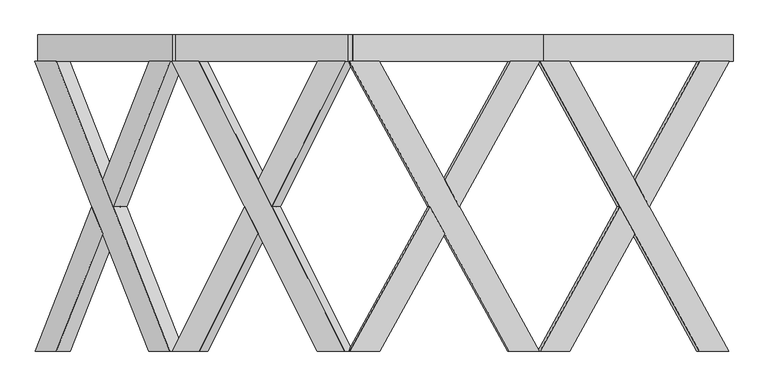
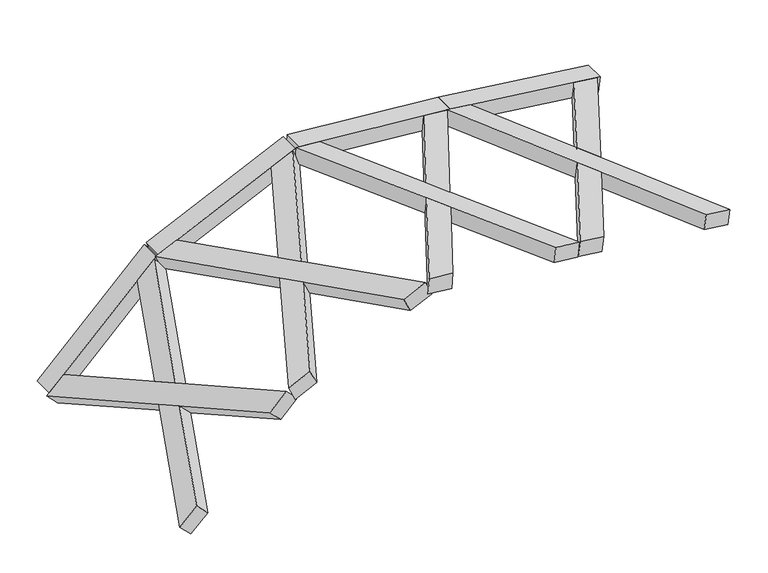
"""IFC4 building model written with IfcOpenShell, lengths in millimetres: proxy geometry."""

from ifc_helpers import new_model, si_unit, frame, origin, place, context, project, spatial, polyline, outline, extrude, faceted_brep, source, transform, mapped, element, save


def generic_models_94af2121(model_context):
    return source(origin(), model_context, "Body", "SolidModel", [
        faceted_brep([(5222.1177358, -100.0, 1273.2053109), (4000.8980741, -2319.6837757, 1423.1522308), (3773.9317381, -2319.6837757, 1451.0201927), (4995.1513998, -100.0, 1301.0732728), (3792.2121396, -2319.6837757, 1599.9021155), (4019.1784756, -2319.6837757, 1572.0341536), (4513.9520357, -1420.3854116, 1511.2835993), (4400.4688677, -1214.1188776, 1525.2175802), (5240.3981374, -100.0, 1422.0872336), (5013.4318013, -100.0, 1449.9551956), (4513.9520357, -1007.8523437, 1511.2835993), (4627.4352037, -1214.1188776, 1497.3496183), (4391.328667, -1214.1188776, 1450.7766188), (4504.811835, -1007.8523437, 1436.8426379), (4618.295003, -1214.1188776, 1422.9086569), (4504.811835, -1420.3854116, 1436.8426379)], [[[0, 1, 2, 3]], [[4, 5, 6, 7]], [[8, 9, 10, 11]], [[0, 3, 9, 8]], [[3, 2, 4, 7, 12, 13, 10, 9]], [[2, 1, 5, 4]], [[1, 0, 8, 11, 14, 15, 6, 5]], [[12, 15, 14, 13]], [[13, 14, 11, 10]], [[15, 12, 7, 6]]]),
        faceted_brep([(3769.2255326, -100.0, 1451.5980421), (3996.1918686, -100.0, 1423.7300802), (4495.6716342, -1007.8523437, 1362.4016765), (4382.1884662, -1214.1188776, 1376.3356575), (5217.4115303, -2319.6837757, 1273.7831603), (4990.4451943, -2319.6837757, 1301.6511222), (4495.6716342, -1420.3854116, 1362.4016765), (4609.1548022, -1214.1188776, 1348.4676956), (3787.5059341, -100.0, 1600.4799649), (5008.7255958, -2319.6837757, 1450.5330449), (5235.6919319, -2319.6837757, 1422.665083), (4014.4722701, -100.0, 1572.612003), (4618.295003, -1214.1188776, 1422.9086569), (4504.811835, -1007.8523437, 1436.8426379), (4391.328667, -1214.1188776, 1450.7766188), (4504.811835, -1420.3854116, 1436.8426379)], [[[0, 1, 2, 3]], [[4, 5, 6, 7]], [[8, 9, 10, 11]], [[1, 0, 8, 11]], [[11, 10, 4, 7, 12, 13, 2, 1]], [[5, 4, 10, 9]], [[9, 8, 0, 3, 14, 15, 6, 5]], [[12, 15, 14, 13]], [[13, 14, 3, 2]], [[15, 12, 7, 6]]]),
        extrude(outline(polyline([(0.0, -200.0), (0.0, 0.0), (1460.0, 0.0), (1460.0, -200.0), (0.0, -200.0)])), frame((5250.0067095, -100.0, 1269.7809755), z_axis=(0.12186934340515057, 0.0, 0.9925461516413217), x_axis=(-0.9925461516413217, 0.0, 0.12186934340515057)), (0.0, 0.0, 1.0), 150.0),
        faceted_brep([(3775.5013561, -100.0, 1449.8855141), (2549.7925564, -2319.6837757, 1557.1211389), (2321.9919043, -2319.6837757, 1577.0511135), (3547.700704, -100.0, 1469.8154887), (2335.0652657, -2319.6837757, 1726.4803182), (2562.8659178, -2319.6837757, 1706.5503436), (3059.458239, -1420.3854116, 1663.1041451), (2945.5579129, -1214.1188776, 1673.0691324), (3788.5747175, -100.0, 1599.3147188), (3560.7740654, -100.0, 1619.2446934), (3059.458239, -1007.8523437, 1663.1041451), (3173.358565, -1214.1188776, 1653.1391578), (2939.0212322, -1214.1188776, 1598.3545301), (3052.9215583, -1007.8523437, 1588.3895428), (3166.8218843, -1214.1188776, 1578.4245554), (3052.9215583, -1420.3854116, 1588.3895428)], [[[0, 1, 2, 3]], [[4, 5, 6, 7]], [[8, 9, 10, 11]], [[0, 3, 9, 8]], [[3, 2, 4, 7, 12, 13, 10, 9]], [[2, 1, 5, 4]], [[1, 0, 8, 11, 14, 15, 6, 5]], [[12, 15, 14, 13]], [[13, 14, 11, 10]], [[15, 12, 7, 6]]]),
        faceted_brep([(2317.268399, -100.0, 1577.4643667), (2545.0690511, -100.0, 1557.5343921), (3046.3848776, -1007.8523437, 1513.6749404), (2932.4845515, -1214.1188776, 1523.6399277), (3770.7778509, -2319.6837757, 1450.2987673), (3542.9771988, -2319.6837757, 1470.2287419), (3046.3848776, -1420.3854116, 1513.6749404), (3160.2852036, -1214.1188776, 1503.7099531), (2330.3417604, -100.0, 1726.8935714), (3556.0505602, -2319.6837757, 1619.6579466), (3783.8512123, -2319.6837757, 1599.727972), (2558.1424125, -100.0, 1706.9635968), (3166.8218843, -1214.1188776, 1578.4245554), (3052.9215583, -1007.8523437, 1588.3895428), (2939.0212322, -1214.1188776, 1598.3545301), (3052.9215583, -1420.3854116, 1588.3895428)], [[[0, 1, 2, 3]], [[4, 5, 6, 7]], [[8, 9, 10, 11]], [[1, 0, 8, 11]], [[11, 10, 4, 7, 12, 13, 2, 1]], [[5, 4, 10, 9]], [[9, 8, 0, 3, 14, 15, 6, 5]], [[12, 15, 14, 13]], [[13, 14, 3, 2]], [[15, 12, 7, 6]]]),
        extrude(outline(polyline([(0.0, -200.0), (0.0, 0.0), (1460.0, 0.0), (1460.0, -200.0), (0.0, -200.0)])), frame((3803.4928481, -100.0, 1447.4365759), z_axis=(0.08715574274766114, 0.0, 0.9961946980917453), x_axis=(-0.9961946980917453, 0.0, 0.08715574274766114)), (0.0, 0.0, 1.0), 150.0),
        faceted_brep([(2361.815827, -100.0, 1569.5505754), (1246.7030564, -2319.6837757, 1049.5649507), (1039.4569173, -2319.6837757, 952.924489), (2154.569688, -100.0, 1472.9101136), (976.0641781, -2319.6837757, 1088.870657), (1183.3103171, -2319.6837757, 1185.5111188), (1635.0949818, -1420.3854116, 1396.1817678), (1531.4719123, -1214.1188776, 1347.8615369), (2298.4230877, -100.0, 1705.4967434), (2091.1769487, -100.0, 1608.8562817), (1635.0949818, -1007.8523437, 1396.1817678), (1738.7180513, -1214.1188776, 1444.5019987), (1563.168282, -1214.1188776, 1279.8884529), (1666.7913515, -1007.8523437, 1328.2086838), (1770.414421, -1214.1188776, 1376.5289146), (1666.7913515, -1420.3854116, 1328.2086838)], [[[0, 1, 2, 3]], [[4, 5, 6, 7]], [[8, 9, 10, 11]], [[0, 3, 9, 8]], [[3, 2, 4, 7, 12, 13, 10, 9]], [[2, 1, 5, 4]], [[1, 0, 8, 11, 14, 15, 6, 5]], [[12, 15, 14, 13]], [[13, 14, 11, 10]], [[15, 12, 7, 6]]]),
        faceted_brep([(1035.1596152, -100.0, 950.9206241), (1242.4057542, -100.0, 1047.5610858), (1698.4877211, -1007.8523437, 1260.2355997), (1594.8646516, -1214.1188776, 1211.9153689), (2357.5185248, -2319.6837757, 1567.5467105), (2150.2723858, -2319.6837757, 1470.9062487), (1698.4877211, -1420.3854116, 1260.2355997), (1802.1107906, -1214.1188776, 1308.5558306), (971.7668759, -100.0, 1086.8667921), (2086.8796466, -2319.6837757, 1606.8524168), (2294.1257856, -2319.6837757, 1703.4928785), (1179.013015, -100.0, 1183.5072539), (1770.414421, -1214.1188776, 1376.5289146), (1666.7913515, -1007.8523437, 1328.2086838), (1563.168282, -1214.1188776, 1279.8884529), (1666.7913515, -1420.3854116, 1328.2086838)], [[[0, 1, 2, 3]], [[4, 5, 6, 7]], [[8, 9, 10, 11]], [[1, 0, 8, 11]], [[11, 10, 4, 7, 12, 13, 2, 1]], [[5, 4, 10, 9]], [[9, 8, 0, 3, 14, 15, 6, 5]], [[12, 15, 14, 13]], [[13, 14, 3, 2]], [[15, 12, 7, 6]]]),
        extrude(outline(polyline([(0.0, -200.0), (0.0, 0.0), (1459.9999999, 0.0), (1459.9999999, -200.0), (0.0, -200.0)])), frame((2387.2816392, -100.0, 1581.4254786), z_axis=(-0.42261826174069905, 0.0, 0.9063077870366503), x_axis=(-0.9063077870366503, 0.0, -0.42261826174069905)), (0.0, 0.0, 1.0), 150.0),
        faceted_brep([(1065.5403294, -100.0, 959.4743122), (195.5226453, -2319.6837757, 89.4566282), (33.8279624, -2319.6837757, -72.2380548), (903.8456464, -100.0, 797.7796293), (-72.2380548, -2319.6837757, 33.8279624), (89.4566282, -2319.6837757, 195.5226453), (441.9417382, -1420.3854116, 548.0077554), (361.0943968, -1214.1188776, 467.160414), (959.4743122, -100.0, 1065.5403294), (797.7796293, -100.0, 903.8456464), (441.9417382, -1007.8523437, 548.0077554), (522.7890797, -1214.1188776, 628.8550969), (414.1274054, -1214.1188776, 414.1274054), (494.9747468, -1007.8523437, 494.9747468), (575.8220883, -1214.1188776, 575.8220883), (494.9747468, -1420.3854116, 494.9747468)], [[[0, 1, 2, 3]], [[4, 5, 6, 7]], [[8, 9, 10, 11]], [[0, 3, 9, 8]], [[3, 2, 4, 7, 12, 13, 10, 9]], [[2, 1, 5, 4]], [[1, 0, 8, 11, 14, 15, 6, 5]], [[12, 15, 14, 13]], [[13, 14, 11, 10]], [[15, 12, 7, 6]]]),
        faceted_brep([(30.4751815, -100.0, -75.5908357), (192.1698644, -100.0, 86.1038472), (548.0077554, -1007.8523437, 441.9417382), (467.160414, -1214.1188776, 361.0943968), (1062.1875484, -2319.6837757, 956.1215313), (900.4928655, -2319.6837757, 794.4268483), (548.0077554, -1420.3854116, 441.9417382), (628.8550969, -1214.1188776, 522.7890797), (-75.5908357, -100.0, 30.4751815), (794.4268483, -2319.6837757, 900.4928655), (956.1215313, -2319.6837757, 1062.1875484), (86.1038472, -100.0, 192.1698644), (575.8220883, -1214.1188776, 575.8220883), (494.9747468, -1007.8523437, 494.9747468), (414.1274054, -1214.1188776, 414.1274054), (494.9747468, -1420.3854116, 494.9747468)], [[[0, 1, 2, 3]], [[4, 5, 6, 7]], [[8, 9, 10, 11]], [[1, 0, 8, 11]], [[11, 10, 4, 7, 12, 13, 2, 1]], [[5, 4, 10, 9]], [[9, 8, 0, 3, 14, 15, 6, 5]], [[12, 15, 14, 13]], [[13, 14, 3, 2]], [[15, 12, 7, 6]]]),
        extrude(outline(polyline([(-148.3871943, 0.0), (-148.3871943, -150.0), (-348.3871943, -150.0), (-348.3871943, 0.0), (-148.3871943, 0.0)])), frame((53.0330086, -248.3871943, -53.0330086), z_axis=(0.7071067811865481, 0.0, 0.707106781186547), x_axis=(0.0, -1.0, 0.0)), (0.0, 0.0, 1.0), 1460.0),
    ])


if __name__ == "__main__":
    model = new_model("IFC4")
    model_context = context("Model", 3, world=origin())
    ifc_project = project(units=[si_unit("LENGTHUNIT", "METRE", prefix="MILLI")], contexts=[model_context])
    site = spatial("IfcSite", under=ifc_project)
    building = spatial("IfcBuilding", under=site)
    placement = place(None, origin())
    generic_models_shape = generic_models_94af2121(model_context)
    element("IfcBuildingElementProxy", 1, Name="Generic Models", at=placement, inside=building, context=model_context, shape_type="MappedRepresentation", body=[
        mapped(generic_models_shape, transform((0.0, 0.0, 0.0), x_axis=(1.0, 0.0, 0.0), y_axis=(0.0, 1.0, 0.0), z_axis=(0.0, 0.0, 1.0))),
    ])
    save(model, "model.ifc")
